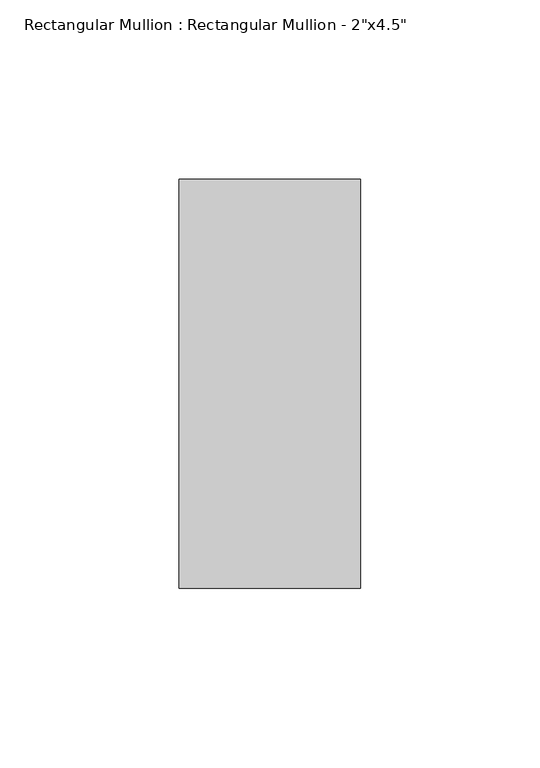
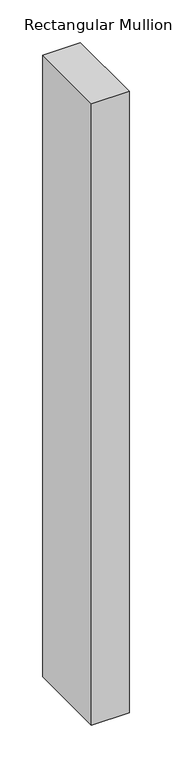
"""IFC4 building model written with IfcOpenShell, lengths in millimetres: member geometry."""

from ifc_helpers import new_model, si_unit, frame, origin, place, context, project, spatial, polyline, outline, extrude, source, transform, mapped, element, save


def member_1835aa85(model_context):
    return source(origin(), model_context, "Body", "SweptSolid", [
        extrude(outline(polyline([(0.0, 57.15), (0.0, -57.15), (-50.8, -57.15), (-50.8, 57.15), (0.0, 57.15)])), frame((0.0, 0.0, -889.0), z_axis=(0.0, 0.0, 1.0), x_axis=(1.0, 0.0, 0.0)), (0.0, 0.0, 1.0), 889.0),
    ])


if __name__ == "__main__":
    model = new_model("IFC4")
    model_context = context("Model", 3, world=origin())
    ifc_project = project(units=[si_unit("LENGTHUNIT", "METRE", prefix="MILLI")], contexts=[model_context])
    site = spatial("IfcSite", under=ifc_project)
    building = spatial("IfcBuilding", under=site)
    placement = place(None, origin())
    member_shape = member_1835aa85(model_context)
    element("IfcMember", 1, ObjectType="Rectangular Mullion : Rectangular Mullion - 2\"x4.5\"", at=placement, inside=building, context=model_context, shape_type="MappedRepresentation", body=[
        mapped(member_shape, transform((0.0, 0.0, 0.0), x_axis=(1.0, 0.0, 0.0), y_axis=(0.0, 1.0, 0.0), z_axis=(0.0, 0.0, 1.0))),
    ])
    save(model, "model.ifc")
